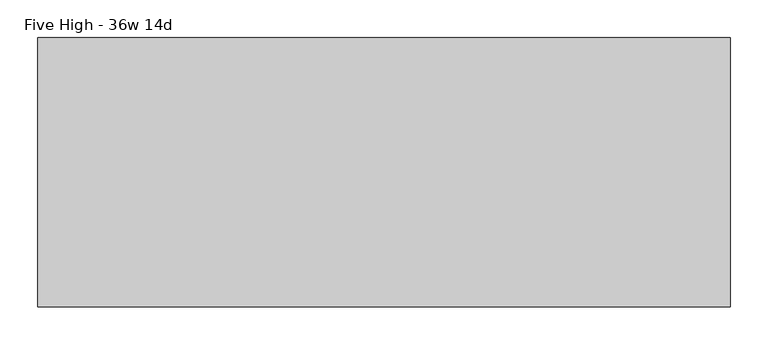
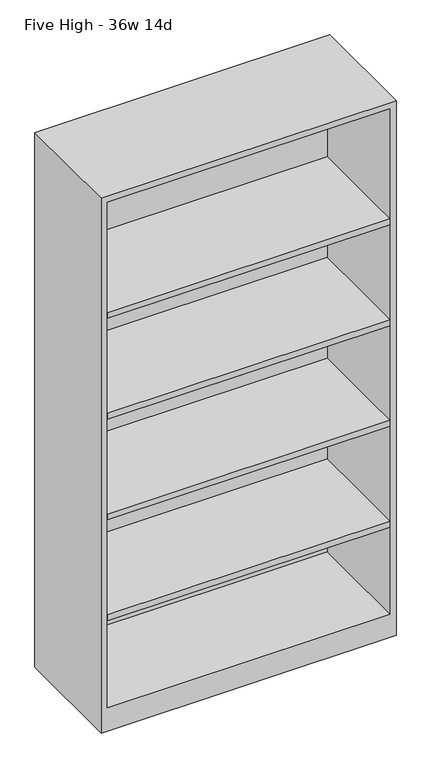
"""IFC4 building model written with IfcOpenShell, lengths in millimetres: furniture geometry, Five High - 36w 14d."""

from ifc_helpers import new_model, si_unit, frame, origin, place, context, project, spatial, polyline, outline, extrude, source, transform, mapped, element, save


def five_high_36w_14d_409c6f36(model_context):
    return source(origin(), model_context, "Body", "SweptSolid", [
        extrude(outline(polyline([(314.2202087, 82.4650245), (314.2202087, -254.0849755), (-562.0797913, -254.0849755), (-562.0797913, 82.4650245), (314.2202087, 82.4650245)])), frame((0.0, 0.0, 1352.55), z_axis=(0.0, 0.0, 1.0), x_axis=(1.0, 0.0, 0.0)), (0.0, 0.0, 1.0), 19.05),
        extrude(outline(polyline([(314.2202087, 82.4650245), (314.2202087, -254.0849755), (-562.0797913, -254.0849755), (-562.0797913, 82.4650245), (314.2202087, 82.4650245)])), frame((0.0, 0.0, 1022.35), z_axis=(0.0, 0.0, 1.0), x_axis=(1.0, 0.0, 0.0)), (0.0, 0.0, 1.0), 19.05),
        extrude(outline(polyline([(314.2202087, 82.4650245), (314.2202087, -254.0849755), (-562.0797913, -254.0849755), (-562.0797913, 82.4650245), (314.2202087, 82.4650245)])), frame((0.0, 0.0, 692.15), z_axis=(0.0, 0.0, 1.0), x_axis=(1.0, 0.0, 0.0)), (0.0, 0.0, 1.0), 19.05),
        extrude(outline(polyline([(314.2202087, 82.4650245), (314.2202087, -254.0849755), (-562.0797913, -254.0849755), (-562.0797913, 82.4650245), (314.2202087, 82.4650245)])), frame((0.0, 0.0, 361.95), z_axis=(0.0, 0.0, 1.0), x_axis=(1.0, 0.0, 0.0)), (0.0, 0.0, 1.0), 19.05),
        extrude(outline(polyline([(314.2202087, 101.5150245), (314.2202087, 82.4650245), (-562.0797913, 82.4650245), (-562.0797913, 101.5150245), (314.2202087, 101.5150245)])), frame((0.0, 0.0, 76.2), z_axis=(0.0, 0.0, 1.0), x_axis=(1.0, 0.0, 0.0)), (0.0, 0.0, 1.0), 1657.35),
        extrude(outline(polyline([(1752.6, 333.2702087), (1752.6, -581.1297913), (0.0, -581.1297913), (0.0, 333.2702087), (1752.6, 333.2702087)]), holes=[polyline([(1733.55, 314.2202087), (76.2, 314.2202087), (76.2, -562.0797913), (1733.55, -562.0797913), (1733.55, 314.2202087)])]), frame((0.0, -254.0849755, 0.0), z_axis=(0.0, 1.0, 0.0), x_axis=(0.0, 0.0, 1.0)), (0.0, 0.0, 1.0), 355.6),
    ])


if __name__ == "__main__":
    model = new_model("IFC4")
    model_context = context("Model", 3, world=origin())
    ifc_project = project(units=[si_unit("LENGTHUNIT", "METRE", prefix="MILLI")], contexts=[model_context])
    site = spatial("IfcSite", under=ifc_project)
    building = spatial("IfcBuilding", under=site)
    placement = place(None, origin())
    five_high_36w_14d_shape = five_high_36w_14d_409c6f36(model_context)
    element("IfcFurniture", 1, ObjectType="Five High - 36w 14d", at=placement, inside=building, context=model_context, shape_type="MappedRepresentation", body=[
        mapped(five_high_36w_14d_shape, transform((0.0, 0.0, 0.0), x_axis=(1.0, 0.0, 0.0), y_axis=(0.0, 1.0, 0.0), z_axis=(0.0, 0.0, 1.0))),
    ])
    save(model, "model.ifc")
